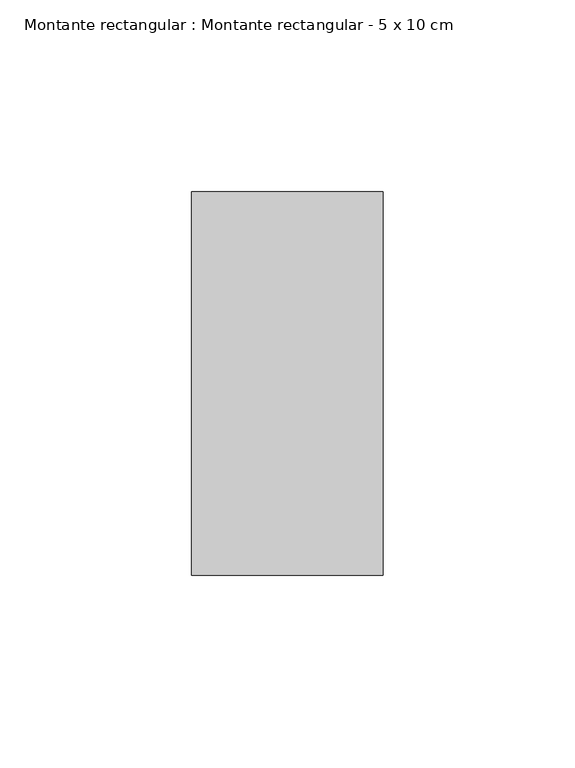
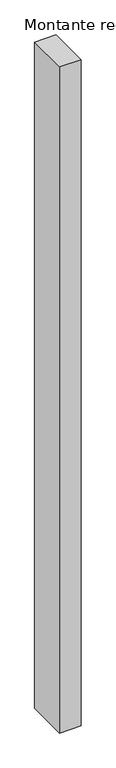
"""IFC4 building model written with IfcOpenShell, lengths in millimetres: member geometry, Montante rectangular : Montante rectangular - 5 x 10 cm."""

from ifc_helpers import new_model, si_unit, frame, origin, place, context, project, spatial, polyline, outline, extrude, source, transform, mapped, element, save


def montante_rectangular_montante_rectangular_5_x_10_cm_1945848b(model_context):
    return source(origin(), model_context, "Body", "SweptSolid", [
        extrude(outline(polyline([(-50.0, 50.0), (0.0, 50.0), (0.0, -50.0), (-50.0, -50.0), (-50.0, 50.0)])), frame((0.0, 0.0, -1637.5081994), z_axis=(0.0, 0.0, 1.0), x_axis=(1.0, 0.0, 0.0)), (0.0, 0.0, 1.0), 1637.5081994),
    ])


if __name__ == "__main__":
    model = new_model("IFC4")
    model_context = context("Model", 3, world=origin())
    ifc_project = project(units=[si_unit("LENGTHUNIT", "METRE", prefix="MILLI")], contexts=[model_context])
    site = spatial("IfcSite", under=ifc_project)
    building = spatial("IfcBuilding", under=site)
    placement = place(None, origin())
    montante_rectangular_montante_rectangular_5_x_10_cm_shape = montante_rectangular_montante_rectangular_5_x_10_cm_1945848b(model_context)
    element("IfcMember", 1, ObjectType="Montante rectangular : Montante rectangular - 5 x 10 cm", at=placement, inside=building, context=model_context, shape_type="MappedRepresentation", body=[
        mapped(montante_rectangular_montante_rectangular_5_x_10_cm_shape, transform((0.0, 0.0, 0.0), x_axis=(1.0, 0.0, 0.0), y_axis=(0.0, 1.0, 0.0), z_axis=(0.0, 0.0, 1.0))),
    ])
    save(model, "model.ifc")
